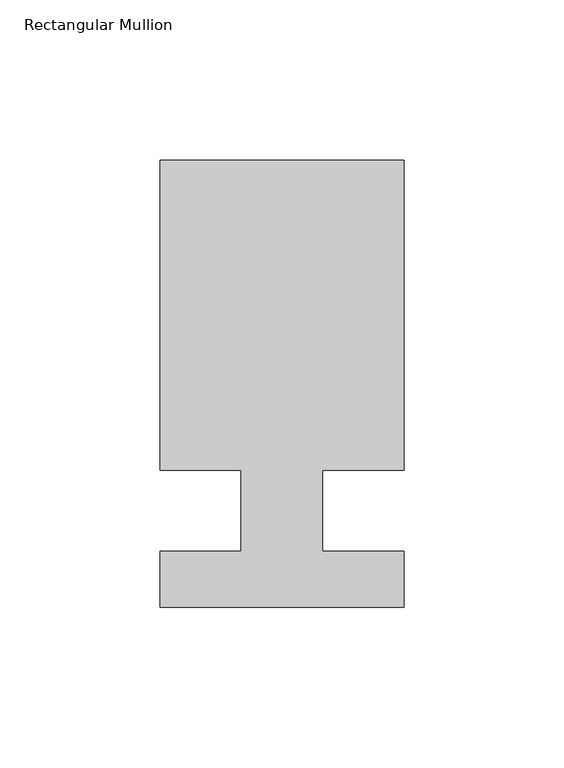
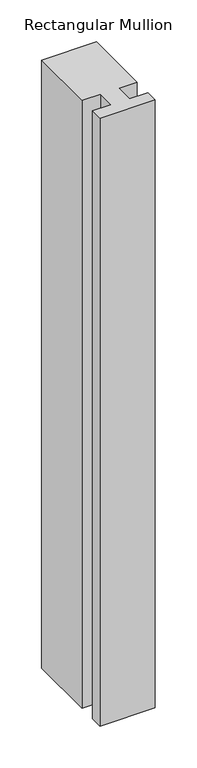
"""IFC4 building model written with IfcOpenShell, lengths in millimetres: member geometry, Rectangular Mullion."""

from ifc_helpers import new_model, si_unit, frame, origin, place, context, project, spatial, polyline, outline, extrude, source, transform, mapped, element, save


def rectangular_mullion_54abfb09(model_context):
    return source(origin(), model_context, "Body", "SweptSolid", [
        extrude(outline(polyline([(42.4344027, 109.5375), (42.4344027, 12.7), (17.0344027, 12.7), (17.0344027, -12.7), (42.4344027, -12.7), (42.4344027, -30.1625), (-33.7655973, -30.1625), (-33.7655973, -12.7), (-8.3655973, -12.7), (-8.3655973, 12.7), (-33.7655973, 12.7), (-33.7655973, 109.5375), (42.4344027, 109.5375)])), frame((0.0, 0.0, -887.8405973), z_axis=(0.0, 0.0, 1.0), x_axis=(1.0, 0.0, 0.0)), (0.0, 0.0, 1.0), 887.8405973),
    ])


if __name__ == "__main__":
    model = new_model("IFC4")
    model_context = context("Model", 3, world=origin())
    ifc_project = project(units=[si_unit("LENGTHUNIT", "METRE", prefix="MILLI")], contexts=[model_context])
    site = spatial("IfcSite", under=ifc_project)
    building = spatial("IfcBuilding", under=site)
    placement = place(None, origin())
    rectangular_mullion_shape = rectangular_mullion_54abfb09(model_context)
    element("IfcMember", 1, ObjectType="Rectangular Mullion", at=placement, inside=building, context=model_context, shape_type="MappedRepresentation", body=[
        mapped(rectangular_mullion_shape, transform((0.0, 0.0, 0.0), x_axis=(1.0, 0.0, 0.0), y_axis=(0.0, 1.0, 0.0), z_axis=(0.0, 0.0, 1.0))),
    ])
    save(model, "model.ifc")
